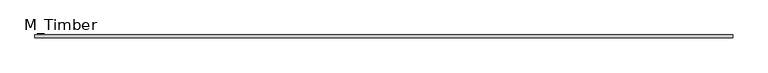
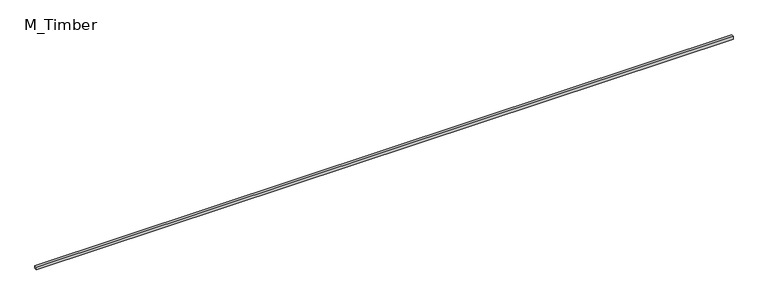
"""IFC4 building model written with IfcOpenShell, lengths in millimetres: beam geometry, M_Timber."""

from ifc_helpers import new_model, si_unit, frame, origin, place, context, project, spatial, polyline, outline, extrude, source, transform, mapped, element, save


def m_timber_72682173(model_context):
    return source(origin(), model_context, "Body", "SweptSolid", [
        extrude(outline(polyline([(5060.5758377, 20.0), (5060.5758377, -20.0), (-5060.5758377, -20.0), (-5060.5758377, 20.0), (5060.5758377, 20.0)])), frame((0.0, 0.0, -20.0), z_axis=(0.0, 0.0, 1.0), x_axis=(1.0, 0.0, 0.0)), (0.0, 0.0, 1.0), 40.0),
    ])


if __name__ == "__main__":
    model = new_model("IFC4")
    model_context = context("Model", 3, world=origin())
    ifc_project = project(units=[si_unit("LENGTHUNIT", "METRE", prefix="MILLI")], contexts=[model_context])
    site = spatial("IfcSite", under=ifc_project)
    building = spatial("IfcBuilding", under=site)
    placement = place(None, origin())
    m_timber_shape = m_timber_72682173(model_context)
    element("IfcBeam", 1, ObjectType="M_Timber", at=placement, inside=building, context=model_context, shape_type="MappedRepresentation", body=[
        mapped(m_timber_shape, transform((0.0, 0.0, 0.0), x_axis=(1.0, 0.0, 0.0), y_axis=(0.0, 1.0, 0.0), z_axis=(0.0, 0.0, 1.0))),
    ])
    save(model, "model.ifc")
